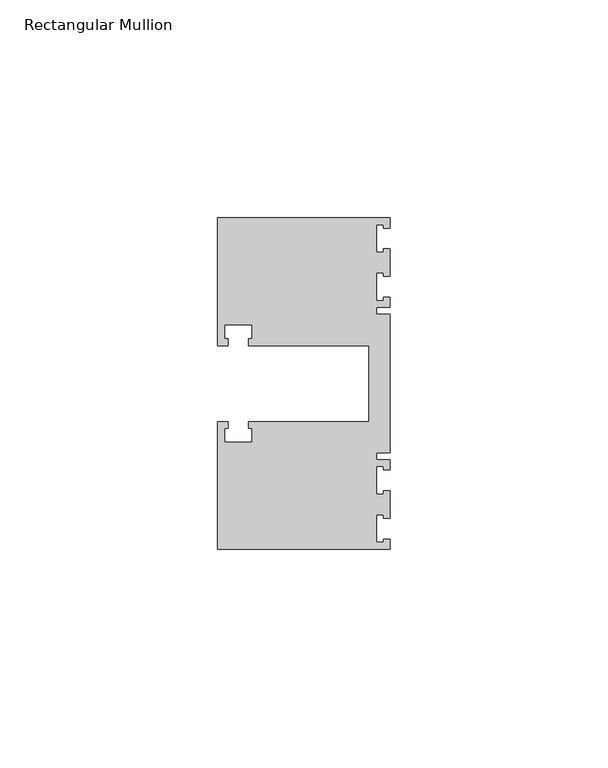
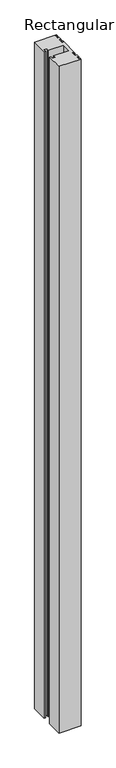
"""IFC4 building model written with IfcOpenShell, lengths in millimetres: member geometry, Rectangular Mullion."""

from ifc_helpers import new_model, si_unit, frame, origin, place, context, project, spatial, polyline, outline, extrude, source, transform, mapped, element, save


def rectangular_mullion_0aca82fd(model_context):
    return source(origin(), model_context, "Body", "SweptSolid", [
        extrude(outline(polyline([(0.0, 38.1), (0.0, 35.71875), (-1.4999946, 35.71875), (-1.4999946, 36.5125), (-3.175, 36.5125), (-3.175, 30.1625), (-1.4999946, 30.1625), (-1.4999946, 30.95625), (0.0, 30.95625), (0.0, 24.60625), (-1.4999946, 24.60625), (-1.4999946, 25.4), (-3.175, 25.4), (-3.175, 19.05), (-1.4999946, 19.05), (-1.4999946, 19.84375), (0.0, 19.84375), (0.0, 17.4625), (-3.175, 17.4625), (-3.175, 15.875), (0.0, 15.875), (0.0, -15.875), (-3.175, -15.875), (-3.175, -17.4625), (0.0, -17.4625), (0.0, -19.84375), (-1.4999946, -19.84375), (-1.4999946, -19.05), (-3.175, -19.05), (-3.175, -25.4), (-1.4999946, -25.4), (-1.4999946, -24.60625), (0.0, -24.60625), (0.0, -30.95625), (-1.4999946, -30.95625), (-1.4999946, -30.1625), (-3.175, -30.1625), (-3.175, -36.5125), (-1.4999946, -36.5125), (-1.4999946, -35.71875), (0.0, -35.71875), (0.0, -38.1), (-39.6875, -38.1), (-39.6875, -8.73125), (-37.30625, -8.73125), (-37.30625, -10.31875), (-38.1, -10.31875), (-38.1, -13.49375), (-31.75, -13.49375), (-31.75, -10.31875), (-32.54375, -10.31875), (-32.54375, -8.73125), (-4.8585733, -8.73125), (-4.8585733, 8.73125), (-32.54375, 8.73125), (-32.54375, 10.31875), (-31.75, 10.31875), (-31.75, 13.49375), (-38.1, 13.49375), (-38.1, 10.31875), (-37.30625, 10.31875), (-37.30625, 8.73125), (-39.6875, 8.73125), (-39.6875, 38.1), (0.0, 38.1)])), frame((0.0, 0.0, -1270.0), z_axis=(0.0, 0.0, 1.0), x_axis=(1.0, 0.0, 0.0)), (0.0, 0.0, 1.0), 1270.0),
    ])


if __name__ == "__main__":
    model = new_model("IFC4")
    model_context = context("Model", 3, world=origin())
    ifc_project = project(units=[si_unit("LENGTHUNIT", "METRE", prefix="MILLI")], contexts=[model_context])
    site = spatial("IfcSite", under=ifc_project)
    building = spatial("IfcBuilding", under=site)
    placement = place(None, origin())
    rectangular_mullion_shape = rectangular_mullion_0aca82fd(model_context)
    element("IfcMember", 1, ObjectType="Rectangular Mullion", at=placement, inside=building, context=model_context, shape_type="MappedRepresentation", body=[
        mapped(rectangular_mullion_shape, transform((0.0, 0.0, 0.0), x_axis=(1.0, 0.0, 0.0), y_axis=(0.0, 1.0, 0.0), z_axis=(0.0, 0.0, 1.0))),
    ])
    save(model, "model.ifc")
